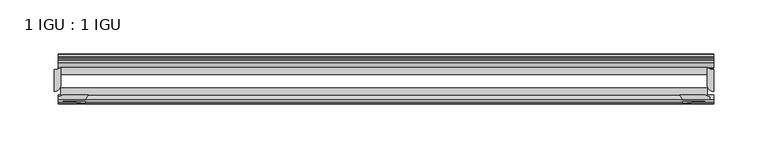
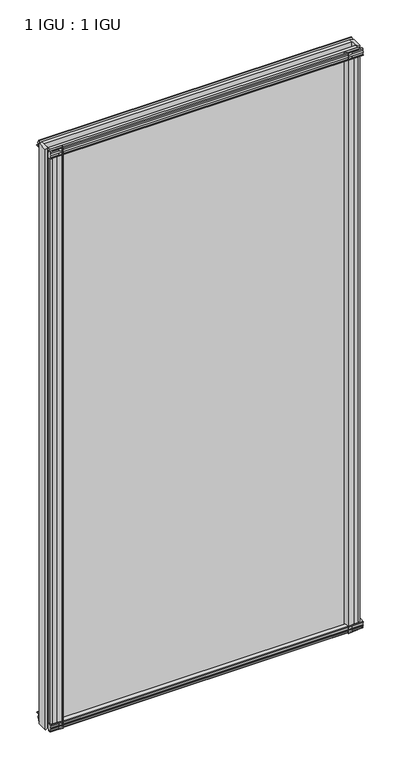
"""IFC4 building model written with IfcOpenShell, lengths in millimetres: plate geometry, 1 IGU : 1 IGU."""

from ifc_helpers import new_model, si_unit, point, frame, frame_2d, origin, place, context, project, spatial, polyline, circle_curve, trimmed, segment, composite_curve, outline, extrude, source, transform, mapped, element, save


def plate_1_igu_1_igu_7dc0e5d8(model_context):
    return source(origin(), model_context, "Body", "SweptSolid", [
        extrude(outline(composite_curve([segment(polyline([(-57.0900403, 1.731044), (-50.00625, 3.0983599), (-50.00625, -7.92383), (-54.1882244, -12.1058044)]), True, "CONTINUOUS"), segment(trimmed(circle_curve(frame_2d((-55.08625, -11.2077788)), 1.27), [point((-54.1882244, -12.1058044))], [point((-56.35625, -11.2077788))], False, "CARTESIAN"), True, "CONTINUOUS"), segment(polyline([(-56.35625, -11.2077788), (-56.35625, -8.0327788), (-57.835546, -5.4488186), (-56.35625, -5.1879788), (-56.35625, 0.2222212), (-57.65913, 0.0383748)]), True, "CONTINUOUS"), segment(trimmed(circle_curve(frame_2d((-56.9150839, 0.7302212)), 1.016), [point((-57.65913, 0.0383748))], [point((-57.0900403, 1.731044))], False, "CARTESIAN"), True, "CONTINUOUS")], self_intersect=False)), frame((-300.7614, 0.0, 0.0), z_axis=(1.0, 0.0, 0.0), x_axis=(0.0, 1.0, 0.0)), (0.0, 0.0, 1.0), 605.5614),
        extrude(outline(composite_curve([segment(polyline([(-24.60625, 2.5763839), (-12.8423053, 1.6478499)]), True, "CONTINUOUS"), segment(trimmed(circle_curve(frame_2d((-12.92225, 0.635)), 1.016), [point((-12.8423053, 1.6478499))], [point((-12.1291353, 0.0))], False, "CARTESIAN"), True, "CONTINUOUS"), segment(polyline([(-12.1291353, 0.0), (-18.25625, 0.0), (-18.25625, -4.953), (-15.9568457, -5.5691235), (-16.3325195, -4.1670901), (-15.4738114, -3.937), (-14.82725, -6.35), (-15.4738114, -8.763), (-16.3325195, -8.5329099), (-15.9568457, -7.1308765), (-18.25625, -7.747), (-18.25625, -12.7), (-20.28825, -12.7), (-24.60625, -9.1036931), (-24.60625, 2.5763839)]), True, "CONTINUOUS")], self_intersect=False)), frame((-300.7614, 0.0, 0.0), z_axis=(1.0, 0.0, 0.0), x_axis=(0.0, 1.0, 0.0)), (0.0, 0.0, 1.0), 605.5614),
        extrude(outline(composite_curve([segment(polyline([(-20.28825, 1174.75), (-18.25625, 1174.75), (-18.25625, 1169.797), (-15.9568457, 1169.1808765), (-16.3325195, 1170.5829099), (-15.4738114, 1170.813), (-14.82725, 1168.4), (-15.4738114, 1165.987), (-16.3325195, 1166.2170901), (-15.9568457, 1167.6191235), (-18.25625, 1167.003), (-18.25625, 1162.05), (-12.1291353, 1162.05)]), True, "CONTINUOUS"), segment(trimmed(circle_curve(frame_2d((-12.92225, 1161.415)), 1.016), [point((-12.1291353, 1162.05))], [point((-12.8423053, 1160.4021501))], False, "CARTESIAN"), True, "CONTINUOUS"), segment(polyline([(-12.8423053, 1160.4021501), (-24.60625, 1159.4736161), (-24.60625, 1171.1536931), (-20.28825, 1174.75)]), True, "CONTINUOUS")], self_intersect=False)), frame((-300.7614, 0.0, 0.0), z_axis=(1.0, 0.0, 0.0), x_axis=(0.0, 1.0, 0.0)), (0.0, 0.0, 1.0), 605.5614),
        extrude(outline(composite_curve([segment(trimmed(circle_curve(frame_2d((-56.9150839, 1161.3197788)), 1.016), [point((-57.0900403, 1160.318956))], [point((-57.65913, 1162.0116252))], False, "CARTESIAN"), True, "CONTINUOUS"), segment(polyline([(-57.65913, 1162.0116252), (-56.35625, 1161.8277788), (-56.35625, 1167.2379788), (-57.835546, 1167.4988186), (-56.35625, 1170.0827788), (-56.35625, 1173.2577788)]), True, "CONTINUOUS"), segment(trimmed(circle_curve(frame_2d((-55.08625, 1173.2577788)), 1.27), [point((-56.35625, 1173.2577788))], [point((-54.1882244, 1174.1558044))], False, "CARTESIAN"), True, "CONTINUOUS"), segment(polyline([(-54.1882244, 1174.1558044), (-50.00625, 1169.97383), (-50.00625, 1158.9516401), (-57.0900403, 1160.318956)]), True, "CONTINUOUS")], self_intersect=False)), frame((-300.7614, 0.0, 0.0), z_axis=(1.0, 0.0, 0.0), x_axis=(0.0, 1.0, 0.0)), (0.0, 0.0, 1.0), 605.5614),
        extrude(outline(composite_curve([segment(polyline([(300.7614, -54.14645), (295.5386192, -56.35625), (287.655, -56.35625), (276.225, -57.5575914)]), True, "CONTINUOUS"), segment(trimmed(circle_curve(frame_2d((266.2774732, -57.0773768)), 9.9591112), [point((276.225, -57.5575914))], [point((273.2905368, -50.00625))], True, "CARTESIAN"), True, "CONTINUOUS"), segment(polyline([(273.2905368, -50.00625), (296.9793863, -50.00625), (300.7614, -51.60645), (300.7614, -54.14645)]), True, "CONTINUOUS")], self_intersect=False)), frame((0.0, 0.0, -12.7), z_axis=(0.0, 0.0, 1.0), x_axis=(1.0, 0.0, 0.0)), (0.0, 0.0, 1.0), 1187.45),
        extrude(outline(composite_curve([segment(trimmed(circle_curve(frame_2d((304.8, -40.48125)), 6.35), [point((304.8, -46.83125))], [point((298.45, -40.48125))], False, "CARTESIAN"), True, "CONTINUOUS"), segment(polyline([(298.45, -40.48125), (298.45, -24.60625)]), True, "CONTINUOUS"), segment(trimmed(circle_curve(frame_2d((304.8, -14.2606186)), 12.1389698), [point((298.45, -24.60625))], [point((304.8, -26.3995885))], True, "CARTESIAN"), True, "CONTINUOUS"), segment(polyline([(304.8, -26.3995885), (304.8, -46.83125)]), True, "CONTINUOUS")], self_intersect=False)), frame((0.0, 0.0, -12.7), z_axis=(0.0, 0.0, 1.0), x_axis=(1.0, 0.0, 0.0)), (0.0, 0.0, 1.0), 1187.45),
        extrude(outline(composite_curve([segment(trimmed(circle_curve(frame_2d((-266.2774732, -57.0773768)), 9.9591112), [point((-273.2905368, -50.00625))], [point((-276.225, -57.5575914))], True, "CARTESIAN"), True, "CONTINUOUS"), segment(polyline([(-276.225, -57.5575914), (-287.655, -56.35625), (-295.5386192, -56.35625), (-300.7614, -54.14645), (-300.7614, -51.60645), (-296.9793863, -50.00625), (-273.2905368, -50.00625)]), True, "CONTINUOUS")], self_intersect=False)), frame((0.0, 0.0, -12.7), z_axis=(0.0, 0.0, 1.0), x_axis=(1.0, 0.0, 0.0)), (0.0, 0.0, 1.0), 1187.45),
        extrude(outline(composite_curve([segment(trimmed(circle_curve(frame_2d((-304.8, -14.2606186)), 12.1389698), [point((-304.8, -26.3995885))], [point((-298.45, -24.60625))], True, "CARTESIAN"), True, "CONTINUOUS"), segment(polyline([(-298.45, -24.60625), (-298.45, -40.48125)]), True, "CONTINUOUS"), segment(trimmed(circle_curve(frame_2d((-304.8, -40.48125)), 6.35), [point((-298.45, -40.48125))], [point((-304.8, -46.83125))], False, "CARTESIAN"), True, "CONTINUOUS"), segment(polyline([(-304.8, -46.83125), (-304.8, -26.3995885)]), True, "CONTINUOUS")], self_intersect=False)), frame((0.0, 0.0, -12.7), z_axis=(0.0, 0.0, 1.0), x_axis=(1.0, 0.0, 0.0)), (0.0, 0.0, 1.0), 1187.45),
        extrude(outline(polyline([(-298.45, -24.60625), (298.45, -24.60625), (298.45, -30.95625), (-298.45, -30.95625), (-298.45, -24.60625)])), frame((0.0, 0.0, -12.7), z_axis=(0.0, 0.0, 1.0), x_axis=(1.0, 0.0, 0.0)), (0.0, 0.0, 1.0), 1187.45),
        extrude(outline(polyline([(298.45, -43.65625), (298.45, -50.00625), (-298.45, -50.00625), (-298.45, -43.65625), (298.45, -43.65625)])), frame((0.0, 0.0, -12.7), z_axis=(0.0, 0.0, 1.0), x_axis=(1.0, 0.0, 0.0)), (0.0, 0.0, 1.0), 1187.45),
    ])


if __name__ == "__main__":
    model = new_model("IFC4")
    model_context = context("Model", 3, world=origin())
    ifc_project = project(units=[si_unit("LENGTHUNIT", "METRE", prefix="MILLI")], contexts=[model_context])
    site = spatial("IfcSite", under=ifc_project)
    building = spatial("IfcBuilding", under=site)
    placement = place(None, origin())
    plate_1_igu_1_igu_shape = plate_1_igu_1_igu_7dc0e5d8(model_context)
    element("IfcPlate", 1, ObjectType="1 IGU : 1 IGU", at=placement, inside=building, context=model_context, shape_type="MappedRepresentation", body=[
        mapped(plate_1_igu_1_igu_shape, transform((0.0, 0.0, 0.0), x_axis=(1.0, 0.0, 0.0), y_axis=(0.0, 1.0, 0.0), z_axis=(0.0, 0.0, 1.0))),
    ])
    save(model, "model.ifc")
